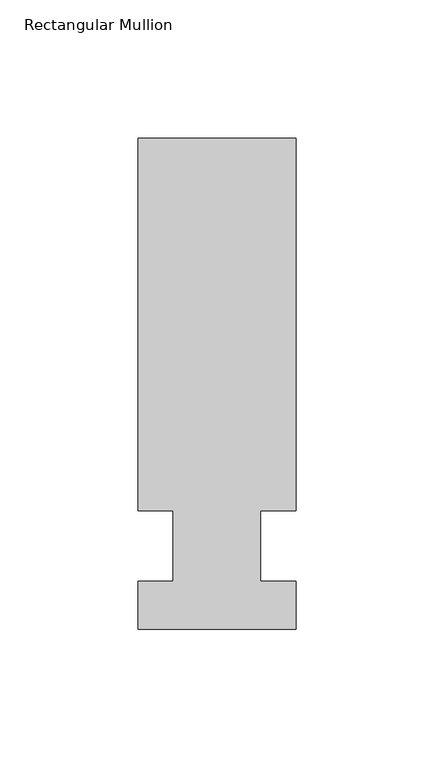
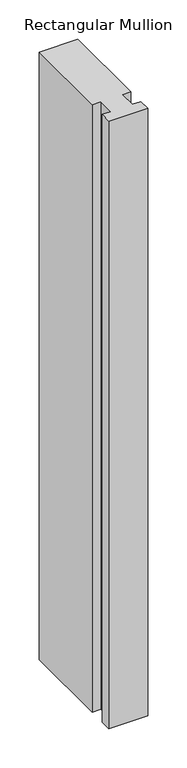
"""IFC4 building model written with IfcOpenShell, lengths in millimetres: member geometry, Rectangular Mullion."""

from ifc_helpers import new_model, si_unit, frame, origin, place, context, project, spatial, polyline, outline, extrude, source, transform, mapped, element, save


def rectangular_mullion_881ee147(model_context):
    return source(origin(), model_context, "Body", "SweptSolid", [
        extrude(outline(polyline([(28.575, 147.6375), (28.575, 12.7), (15.8732296, 12.7), (15.8732296, -12.7), (28.575, -12.7), (28.575, -30.1625), (-28.575, -30.1625), (-28.575, -12.7), (-15.875, -12.7), (-15.875, 12.7), (-28.575, 12.7), (-28.575, 147.6375), (28.575, 147.6375)])), frame((0.0, 0.0, -946.15), z_axis=(0.0, 0.0, 1.0), x_axis=(1.0, 0.0, 0.0)), (0.0, 0.0, 1.0), 946.15),
    ])


if __name__ == "__main__":
    model = new_model("IFC4")
    model_context = context("Model", 3, world=origin())
    ifc_project = project(units=[si_unit("LENGTHUNIT", "METRE", prefix="MILLI")], contexts=[model_context])
    site = spatial("IfcSite", under=ifc_project)
    building = spatial("IfcBuilding", under=site)
    placement = place(None, origin())
    rectangular_mullion_shape = rectangular_mullion_881ee147(model_context)
    element("IfcMember", 1, ObjectType="Rectangular Mullion", at=placement, inside=building, context=model_context, shape_type="MappedRepresentation", body=[
        mapped(rectangular_mullion_shape, transform((0.0, 0.0, 0.0), x_axis=(1.0, 0.0, 0.0), y_axis=(0.0, 1.0, 0.0), z_axis=(0.0, 0.0, 1.0))),
    ])
    save(model, "model.ifc")
